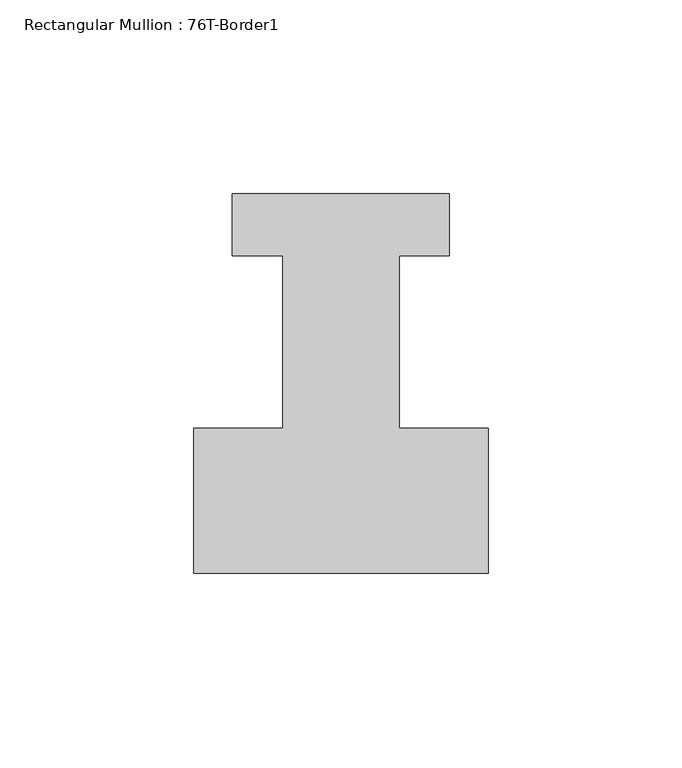
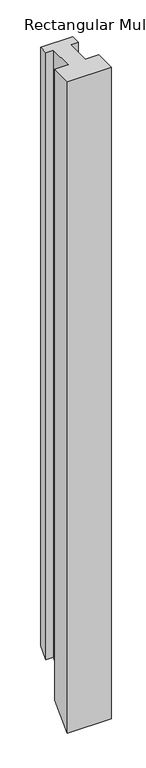
"""IFC4 building model written with IfcOpenShell, lengths in millimetres: member geometry, Rectangular Mullion : 76T-Border1."""

from ifc_helpers import new_model, si_unit, origin, place, context, project, spatial, faceted_brep, source, transform, mapped, element, save


def rectangular_mullion_76t_border1_66fe1f18(model_context):
    return source(origin(), model_context, "Body", "Brep", [
        faceted_brep([(-76.0, -38.0, 0.0), (0.0, -38.0, 0.0), (0.0, -0.5, 0.0), (-23.0, -0.5, 0.0), (-23.0, 44.0, 0.0), (-10.0, 44.0, 0.0), (-10.0, 60.0, 0.0), (-66.0, 60.0, 0.0), (-66.0, 44.0, 0.0), (-53.0, 44.0, 0.0), (-53.0, -0.5, 0.0), (-76.0, -0.5, 0.0), (-76.0, -38.0, -1200.0), (0.0, -38.0, -1200.0), (0.0, -0.5, -1162.5), (-23.0, -0.5, -1162.5), (-23.0, 44.0, -1118.0), (-10.0, 44.0, -1118.0), (-10.0, 60.0, -1102.0), (-66.0, 60.0, -1102.0), (-66.0, 44.0, -1118.0), (-53.0, 44.0, -1118.0), (-53.0, -0.5, -1162.5), (-76.0, -0.5, -1162.5)], [[[0, 1, 2, 3, 4, 5, 6, 7, 8, 9, 10, 11]], [[1, 0, 12, 13]], [[2, 1, 13, 14]], [[3, 2, 14, 15]], [[4, 3, 15, 16]], [[5, 4, 16, 17]], [[6, 5, 17, 18]], [[7, 6, 18, 19]], [[8, 7, 19, 20]], [[9, 8, 20, 21]], [[10, 9, 21, 22]], [[11, 10, 22, 23]], [[0, 11, 23, 12]], [[12, 23, 22, 21, 20, 19, 18, 17, 16, 15, 14, 13]]]),
    ])


if __name__ == "__main__":
    model = new_model("IFC4")
    model_context = context("Model", 3, world=origin())
    ifc_project = project(units=[si_unit("LENGTHUNIT", "METRE", prefix="MILLI")], contexts=[model_context])
    site = spatial("IfcSite", under=ifc_project)
    building = spatial("IfcBuilding", under=site)
    placement = place(None, origin())
    rectangular_mullion_76t_border1_shape = rectangular_mullion_76t_border1_66fe1f18(model_context)
    element("IfcMember", 1, ObjectType="Rectangular Mullion : 76T-Border1", at=placement, inside=building, context=model_context, shape_type="MappedRepresentation", body=[
        mapped(rectangular_mullion_76t_border1_shape, transform((0.0, 0.0, 0.0), x_axis=(1.0, 0.0, 0.0), y_axis=(0.0, 1.0, 0.0), z_axis=(0.0, 0.0, 1.0))),
    ])
    save(model, "model.ifc")
